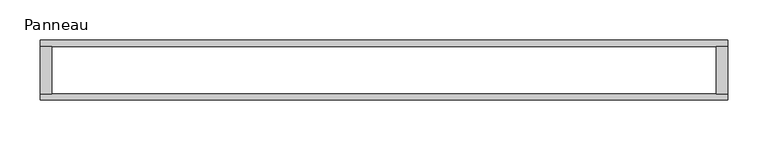
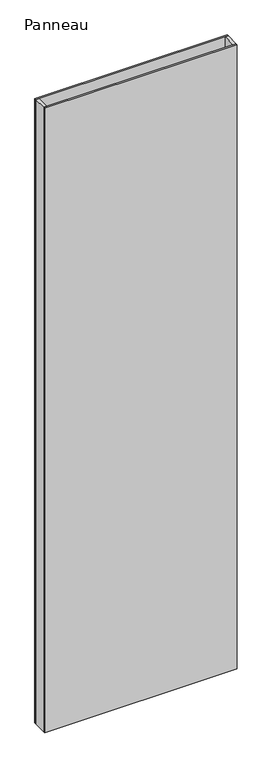
"""IFC4 building model written with IfcOpenShell, lengths in millimetres: plate geometry, Panneau."""

from ifc_helpers import new_model, si_unit, origin, origin_with_axes, place, context, project, spatial, polyline, outline, extrude, source, transform, mapped, element, save


def panneau_e5715938(model_context):
    return source(origin(), model_context, "Body", "SweptSolid", [
        extrude(outline(polyline([(-411.3847577, 29.2), (-411.3847577, -29.2), (-425.3847577, -29.2), (-425.3847577, 29.2), (-411.3847577, 29.2)])), origin_with_axes(), (0.0, 0.0, 1.0), 2915.0),
        extrude(outline(polyline([(425.3847577, 29.2), (425.3847577, -29.2), (411.3847577, -29.2), (411.3847577, 29.2), (425.3847577, 29.2)])), origin_with_axes(), (0.0, 0.0, 1.0), 2915.0),
        extrude(outline(polyline([(425.3847577, 29.2), (-425.3847577, 29.2), (-425.3847577, 37.2), (425.3847577, 37.2), (425.3847577, 29.2)])), origin_with_axes(), (0.0, 0.0, 1.0), 2915.0),
        extrude(outline(polyline([(-425.3847577, -37.2), (-425.3847577, -29.2), (425.3847577, -29.2), (425.3847577, -37.2), (-425.3847577, -37.2)])), origin_with_axes(), (0.0, 0.0, 1.0), 2915.0),
    ])


if __name__ == "__main__":
    model = new_model("IFC4")
    model_context = context("Model", 3, world=origin())
    ifc_project = project(units=[si_unit("LENGTHUNIT", "METRE", prefix="MILLI")], contexts=[model_context])
    site = spatial("IfcSite", under=ifc_project)
    building = spatial("IfcBuilding", under=site)
    placement = place(None, origin())
    panneau_shape = panneau_e5715938(model_context)
    element("IfcPlate", 1, ObjectType="Panneau", at=placement, inside=building, context=model_context, shape_type="MappedRepresentation", body=[
        mapped(panneau_shape, transform((0.0, 0.0, 0.0), x_axis=(1.0, 0.0, 0.0), y_axis=(0.0, 1.0, 0.0), z_axis=(0.0, 0.0, 1.0))),
    ])
    save(model, "model.ifc")
